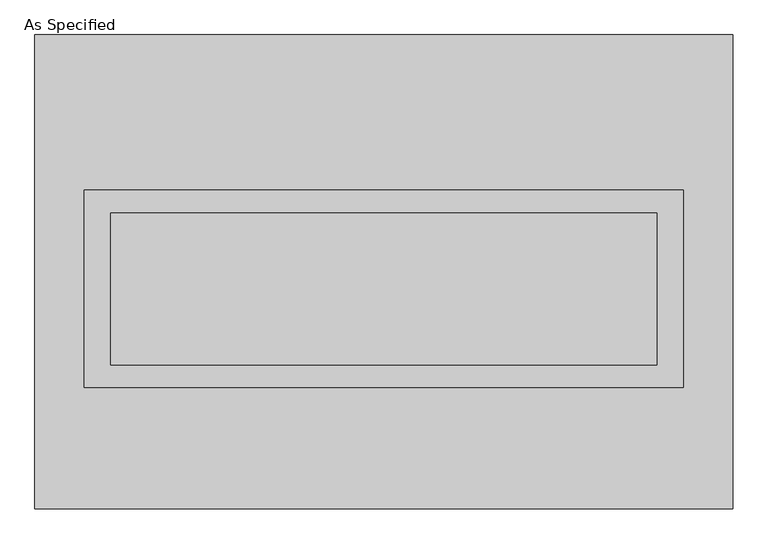
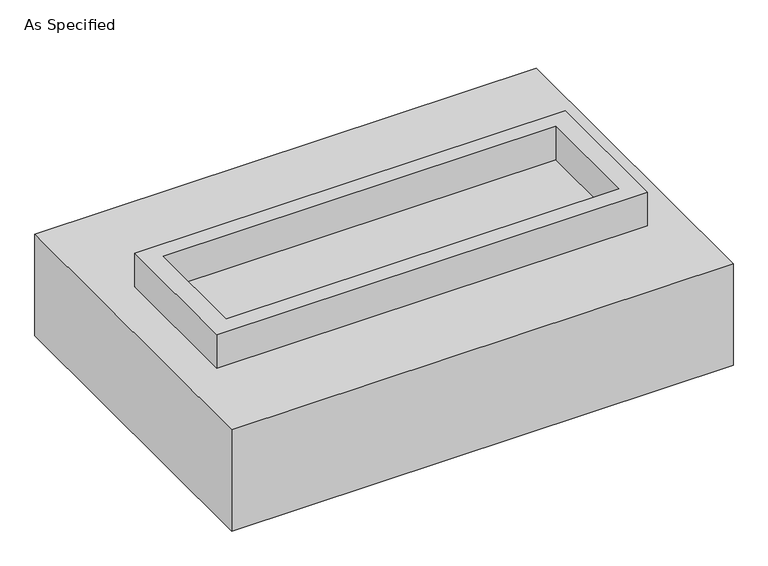
"""IFC4 building model written with IfcOpenShell, lengths in millimetres: proxy geometry, As Specified."""

from ifc_helpers import new_model, si_unit, frame, origin, place, context, project, spatial, polyline, outline, extrude, faceted_brep, source, transform, mapped, element, save


def as_specified_af409f83(model_context):
    return source(origin(), model_context, "Body", "SolidModel", [
        extrude(outline(polyline([(1003.3, 273.05), (1003.3, -387.35), (-1003.3, -387.35), (-1003.3, 273.05), (1003.3, 273.05)]), holes=[polyline([(914.4, 196.85), (-914.4, 196.85), (-914.4, -311.15), (914.4, -311.15), (914.4, 196.85)])]), frame((0.0, 0.0, -25.4), z_axis=(0.0, 0.0, 1.0), x_axis=(1.0, 0.0, 0.0)), (0.0, 0.0, 1.0), 165.1),
        extrude(outline(polyline([(914.4, 196.85), (914.4, -311.15), (-914.4, -311.15), (-914.4, 196.85), (914.4, 196.85)])), frame((0.0, 0.0, -30.3609375), z_axis=(0.0, 0.0, 1.0), x_axis=(1.0, 0.0, 0.0)), (0.0, 0.0, 1.0), 4.9609375),
        faceted_brep([(1168.4, -793.75, -523.875), (-1168.4, -793.75, -523.875), (-1168.4, 793.75, -523.875), (1168.4, 793.75, -523.875), (1168.4, 793.75, -25.4), (-1168.4, 793.75, -25.4), (-1168.4, -793.75, -25.4), (1168.4, -793.75, -25.4), (1003.3, 273.05, -25.4), (1003.3, -387.35, -25.4), (-1003.3, -387.35, -25.4), (-1003.3, 273.05, -25.4), (1003.3, 273.05, -498.475), (-1003.3, 273.05, -498.475), (-1003.3, -387.35, -498.475), (1003.3, -387.35, -498.475)], [[[0, 1, 2, 3]], [[4, 5, 6, 7], [8, 9, 10, 11]], [[3, 2, 5, 4]], [[2, 1, 6, 5]], [[0, 3, 4, 7]], [[12, 13, 14, 15]], [[14, 13, 11, 10]], [[13, 12, 8, 11]], [[12, 15, 9, 8]], [[10, 9, 15, 14]], [[1, 0, 7, 6]]]),
    ])


if __name__ == "__main__":
    model = new_model("IFC4")
    model_context = context("Model", 3, world=origin())
    ifc_project = project(units=[si_unit("LENGTHUNIT", "METRE", prefix="MILLI")], contexts=[model_context])
    site = spatial("IfcSite", under=ifc_project)
    building = spatial("IfcBuilding", under=site)
    placement = place(None, origin())
    as_specified_shape = as_specified_af409f83(model_context)
    element("IfcBuildingElementProxy", 1, Name="As Specified", ObjectType="As Specified", at=placement, inside=building, context=model_context, shape_type="MappedRepresentation", body=[
        mapped(as_specified_shape, transform((0.0, 0.0, 0.0), x_axis=(1.0, 0.0, 0.0), y_axis=(0.0, 1.0, 0.0), z_axis=(0.0, 0.0, 1.0))),
    ])
    save(model, "model.ifc")
